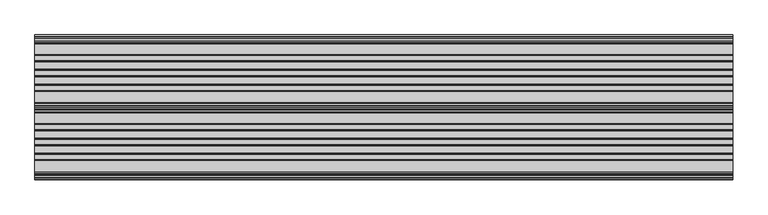
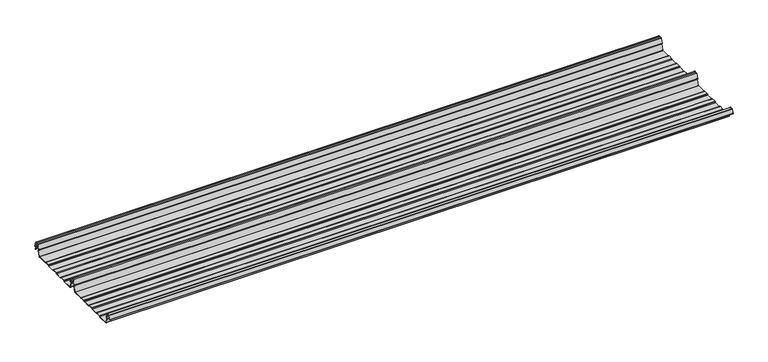
"""IFC4 building model written with IfcOpenShell, lengths in millimetres: beam geometry."""

import ifcopenshell
import ifcopenshell.guid

model = None  # the IFC model being written
_history = None  # IfcOwnerHistory: only IFC2X3 demands one
_inside = {}  # id of a spatial element -> (the spatial element, [elements in it])
_under = {}  # id of a project, library or spatial element -> (it, [spatial elements below it])
_declared = {}  # id of a project -> (the project, [libraries it declares])
_typed = {}  # id of a type object -> (the type object, [elements of that type])
_made_of = {}  # id of a material, layer set ... -> (it, [elements and type objects made of it])


def new_model(schema):
    """Start an empty IFC model of exactly this schema.

    Asked for "IFC4X3", IfcOpenShell would pick the latest addendum, in which some entities
    have other attributes; the version numbers below select the first issue.
    IFC2X3 requires an IfcOwnerHistory on every rooted entity: one is made here for all.
    """
    global model, _history
    if schema == "IFC4X3":
        model = ifcopenshell.file(schema_version=(4, 3, 0, 0))
    else:
        model = ifcopenshell.file(schema=schema)
    _inside.clear()
    _under.clear()
    _declared.clear()
    _typed.clear()
    _made_of.clear()
    _history = None
    if model.schema == "IFC2X3":
        org = make("IfcOrganization", Name="unknown")
        user = make(
            "IfcPersonAndOrganization",
            ThePerson=make("IfcPerson", FamilyName="unknown"),
            TheOrganization=org,
        )
        app = make(
            "IfcApplication",
            ApplicationDeveloper=org,
            Version="unknown",
            ApplicationFullName="unknown",
            ApplicationIdentifier="unknown",
        )
        _history = make(
            "IfcOwnerHistory",
            OwningUser=user,
            OwningApplication=app,
            ChangeAction="ADDED",
            CreationDate=0,
        )
    return model


def make(cls, **values):
    """One entity of the class cls with the attributes given. An attribute that is None is left unset."""
    return model.create_entity(
        cls, **{name: value for name, value in values.items() if value is not None}
    )


def rooted(cls, **values):
    """An entity with a GlobalId (a new one), such as an element, a storey or a relation."""
    return make(cls, GlobalId=ifcopenshell.guid.new(), OwnerHistory=_history, **values)


def si_unit(unit_type, name, prefix=None):
    """IfcSIUnit, for example si_unit("LENGTHUNIT", "METRE", prefix="MILLI")."""
    return make("IfcSIUnit", UnitType=unit_type, Prefix=prefix, Name=name)


def assignment(units):
    """IfcUnitAssignment: the units of a project."""
    return None if units is None else make("IfcUnitAssignment", Units=units)


def point(xyz):
    """IfcCartesianPoint."""
    return None if xyz is None else make("IfcCartesianPoint", Coordinates=xyz)


def direction(xyz):
    """IfcDirection."""
    return None if xyz is None else make("IfcDirection", DirectionRatios=xyz)


def frame(location, z_axis=None, x_axis=None):
    """IfcAxis2Placement3D, a coordinate frame: its origin and axes. An axis left out is left unset."""
    return make(
        "IfcAxis2Placement3D",
        Location=point(location),
        Axis=direction(z_axis),
        RefDirection=direction(x_axis),
    )


def frame_2d(location, x_axis=None):
    """IfcAxis2Placement2D, a coordinate frame in the plane: its origin and x axis."""
    return make(
        "IfcAxis2Placement2D", Location=point(location), RefDirection=direction(x_axis)
    )


def origin():
    """The frame at (0, 0, 0) with its axes left unset."""
    return frame((0.0, 0.0, 0.0))


def place(relative_to, where):
    """IfcLocalPlacement: puts the frame where relative to a parent placement (None: the world)."""
    return make(
        "IfcLocalPlacement", PlacementRelTo=relative_to, RelativePlacement=where
    )


def context(
    kind, dimensions, precision=None, world=None, true_north=None, identifier=None
):
    """IfcGeometricRepresentationContext, for example the 3D "Model" context."""
    return make(
        "IfcGeometricRepresentationContext",
        ContextIdentifier=identifier,
        ContextType=kind,
        CoordinateSpaceDimension=dimensions,
        Precision=precision,
        WorldCoordinateSystem=world,
        TrueNorth=true_north,
    )


def project(units=None, contexts=None):
    """IfcProject with its units and contexts."""
    return rooted(
        "IfcProject",
        Name="project",
        RepresentationContexts=contexts,
        UnitsInContext=assignment(units),
    )


def spatial(cls, under=None, at=None, **own):
    """A site, building, storey or space (cls), placed at a placement, below another one or the project."""
    s = rooted(cls, ObjectPlacement=at, **own)
    if under is not None:
        _under.setdefault(under.id(), (under, []))[1].append(s)
    return s


def polyline(points):
    """IfcPolyline through the points."""
    return make("IfcPolyline", Points=[point(p) for p in points])


def circle_curve(where, radius):
    """IfcCircle in the frame where."""
    return make("IfcCircle", Position=where, Radius=radius)


def trimmed(basis, trim1, trim2, sense, master):
    """IfcTrimmedCurve: the piece of a basis curve between two trims."""
    return make(
        "IfcTrimmedCurve",
        BasisCurve=basis,
        Trim1=trim1,
        Trim2=trim2,
        SenseAgreement=sense,
        MasterRepresentation=master,
    )


def segment(curve, same_sense, transition):
    """IfcCompositeCurveSegment."""
    return make(
        "IfcCompositeCurveSegment",
        Transition=transition,
        SameSense=same_sense,
        ParentCurve=curve,
    )


def composite_curve(segments, self_intersect=None):
    """IfcCompositeCurve: segments joined end to end."""
    return make("IfcCompositeCurve", Segments=segments, SelfIntersect=self_intersect)


def outline(outer, holes=None, kind="AREA"):
    """IfcArbitraryClosedProfileDef: a profile drawn as a closed curve; with holes, ...WithVoids."""
    if holes is None:
        return make("IfcArbitraryClosedProfileDef", ProfileType=kind, OuterCurve=outer)
    return make(
        "IfcArbitraryProfileDefWithVoids",
        ProfileType=kind,
        OuterCurve=outer,
        InnerCurves=holes,
    )


def extrude(swept, where, along, depth):
    """IfcExtrudedAreaSolid: the profile swept, set in the frame where, extruded along a direction by depth."""
    return make(
        "IfcExtrudedAreaSolid",
        SweptArea=swept,
        Position=where,
        ExtrudedDirection=direction(along),
        Depth=depth,
    )


def shape(context_of_items, identifier, shape_type, items):
    """IfcShapeRepresentation: the items that make up one representation, for example the "Body"."""
    return make(
        "IfcShapeRepresentation",
        ContextOfItems=context_of_items,
        RepresentationIdentifier=identifier,
        RepresentationType=shape_type,
        Items=items,
    )


def source(mapping_origin, context_of_items, identifier, shape_type, items):
    """IfcRepresentationMap: a shape defined once, which mapped items show again and again."""
    return make(
        "IfcRepresentationMap",
        MappingOrigin=mapping_origin,
        MappedRepresentation=shape(context_of_items, identifier, shape_type, items),
    )


def transform(
    local_origin,
    x_axis=None,
    y_axis=None,
    z_axis=None,
    scale=None,
    scale2=None,
    scale3=None,
    uniform=True,
):
    """IfcCartesianTransformationOperator3D, or its non-uniform kind. x_axis, y_axis, z_axis: its Axis1, 2, 3."""
    if uniform:
        return make(
            "IfcCartesianTransformationOperator3D",
            Axis1=direction(x_axis),
            Axis2=direction(y_axis),
            LocalOrigin=point(local_origin),
            Scale=scale,
            Axis3=direction(z_axis),
        )
    return make(
        "IfcCartesianTransformationOperator3DnonUniform",
        Axis1=direction(x_axis),
        Axis2=direction(y_axis),
        LocalOrigin=point(local_origin),
        Scale=scale,
        Axis3=direction(z_axis),
        Scale2=scale2,
        Scale3=scale3,
    )


def mapped(mapping_source, mapping_target):
    """IfcMappedItem: shows the shape of a source again, moved by a transform."""
    return make(
        "IfcMappedItem", MappingSource=mapping_source, MappingTarget=mapping_target
    )


def made_of(thing, what):
    """Note that an element or type object is made of a material, layer set ...; save() writes the relation."""
    if what is not None:
        _made_of.setdefault(what.id(), (what, []))[1].append(thing)
    return thing


def element(
    cls,
    number,
    at=None,
    inside=None,
    cuts=None,
    type_object=None,
    material=None,
    context=None,
    identifier="Body",
    shape_type=None,
    held_by="IfcProductDefinitionShape",
    body=None,
    shapes=None,
    **own,
):
    """One element of the class cls, such as IfcWall. Its Tag is "e" and its number.

    at: its placement. inside: the storey or other place that contains it. cuts: it is an
    opening in that element (IfcRelVoidsElement). A single representation is given by context,
    identifier, shape_type and body (its items); several are given by shapes. held_by: the class
    of the entity that holds the representations. save() writes the other relations.
    """
    e = rooted(cls, Tag="e%d" % number, ObjectPlacement=at, **own)
    if body is not None:
        shapes = [shape(context, identifier, shape_type, body)]
    if shapes is not None:
        e.Representation = make(held_by, Representations=shapes)
    if inside is not None:
        _inside.setdefault(inside.id(), (inside, []))[1].append(e)
    if cuts is not None:
        rooted(
            "IfcRelVoidsElement", RelatingBuildingElement=cuts, RelatedOpeningElement=e
        )
    if type_object is not None:
        _typed.setdefault(type_object.id(), (type_object, []))[1].append(e)
    return made_of(e, material)


def aggregate(whole, parts):
    """IfcRelAggregates: a whole, such as a stair, and the parts it consists of."""
    return rooted("IfcRelAggregates", RelatingObject=whole, RelatedObjects=parts)


def save(model, path):
    """Write the relations noted so far, then the file.

    IfcRelAggregates (storeys below a building ...), IfcRelContainedInSpatialStructure (elements
    in a storey), IfcRelDefinesByType, IfcRelAssociatesMaterial and IfcRelDeclares: one each for
    every whole, place, type object, material and project.
    """
    for whole, parts in _under.values():
        aggregate(whole, parts)
    for where, things in _inside.values():
        rooted(
            "IfcRelContainedInSpatialStructure",
            RelatedElements=things,
            RelatingStructure=where,
        )
    for kind, things in _typed.values():
        rooted("IfcRelDefinesByType", RelatedObjects=things, RelatingType=kind)
    for what, things in _made_of.values():
        rooted("IfcRelAssociatesMaterial", RelatedObjects=things, RelatingMaterial=what)
    for by, libraries in _declared.values():
        rooted("IfcRelDeclares", RelatingContext=by, RelatedDefinitions=libraries)
    model.write(path)


def beam_62047426(model_context):
    return source(origin(), model_context, "Body", "SweptSolid", [
        extrude(outline(composite_curve([segment(trimmed(circle_curve(frame_2d((-231.1362436, -24.0396475)), 1.75), [point((-231.1362436, -25.7896475))], [point((-232.7807057, -24.6381827))], False, "CARTESIAN"), True, "CONTINUOUS"), segment(polyline([(-232.7807057, -24.6381827), (-241.6888002, -2.1633943)]), True, "CONTINUOUS"), segment(trimmed(circle_curve(frame_2d((-240.0443381, -1.5648591)), 1.75), [point((-241.6888002, -2.1633943))], [point((-240.4972714, 0.1255111))], False, "CARTESIAN"), True, "CONTINUOUS"), segment(polyline([(-240.4972714, 0.1255111), (-237.8419476, 0.837003)]), True, "CONTINUOUS"), segment(trimmed(circle_curve(frame_2d((-238.1654714, 2.0444103)), 1.25), [point((-237.8419476, 0.837003))], [point((-236.9908556, 2.4719355))], True, "CARTESIAN"), True, "CONTINUOUS"), segment(polyline([(-236.9908556, 2.4719355), (-243.8110817, 21.2103525), (-250.0, 21.2103525), (-256.1889183, 21.2103525), (-263.0091444, 2.4719355)]), True, "CONTINUOUS"), segment(trimmed(circle_curve(frame_2d((-261.8345286, 2.0444103)), 1.25), [point((-263.0091444, 2.4719355))], [point((-262.1580524, 0.837003))], True, "CARTESIAN"), True, "CONTINUOUS"), segment(polyline([(-262.1580524, 0.837003), (-259.5027286, 0.1255111)]), True, "CONTINUOUS"), segment(trimmed(circle_curve(frame_2d((-259.9556619, -1.5648591)), 1.75), [point((-259.5027286, 0.1255111))], [point((-258.3111998, -2.1633943))], False, "CARTESIAN"), True, "CONTINUOUS"), segment(polyline([(-258.3111998, -2.1633943), (-267.2192943, -24.6381827)]), True, "CONTINUOUS"), segment(trimmed(circle_curve(frame_2d((-268.8637564, -24.0396475)), 1.75), [point((-267.2192943, -24.6381827))], [point((-268.8637564, -25.7896475))], False, "CARTESIAN"), True, "CONTINUOUS"), segment(polyline([(-268.8637564, -25.7896475), (-307.3786797, -25.7896475)]), True, "CONTINUOUS"), segment(trimmed(circle_curve(frame_2d((-307.3786797, -24.0396475)), 1.75), [point((-307.3786797, -25.7896475))], [point((-308.6161165, -25.2770843))], False, "CARTESIAN"), True, "CONTINUOUS"), segment(polyline([(-308.6161165, -25.2770843), (-310.7788845, -23.1143163)]), True, "CONTINUOUS"), segment(trimmed(circle_curve(frame_2d((-311.5627045, -23.8981363)), 1.1084889), [point((-310.7788845, -23.1143163))], [point((-311.5627045, -22.7896475))], True, "CARTESIAN"), True, "CONTINUOUS"), segment(polyline([(-311.5627045, -22.7896475), (-330.4372955, -22.7896475)]), True, "CONTINUOUS"), segment(trimmed(circle_curve(frame_2d((-330.4372955, -23.8981363)), 1.1084889), [point((-330.4372955, -22.7896475))], [point((-331.2211155, -23.1143163))], True, "CARTESIAN"), True, "CONTINUOUS"), segment(polyline([(-331.2211155, -23.1143163), (-333.3838835, -25.2770843)]), True, "CONTINUOUS"), segment(trimmed(circle_curve(frame_2d((-334.6213203, -24.0396475)), 1.75), [point((-333.3838835, -25.2770843))], [point((-334.6213203, -25.7896475))], False, "CARTESIAN"), True, "CONTINUOUS"), segment(polyline([(-334.6213203, -25.7896475), (-361.3786797, -25.7896475)]), True, "CONTINUOUS"), segment(trimmed(circle_curve(frame_2d((-361.3786797, -24.0396475)), 1.75), [point((-361.3786797, -25.7896475))], [point((-362.6161165, -25.2770843))], False, "CARTESIAN"), True, "CONTINUOUS"), segment(polyline([(-362.6161165, -25.2770843), (-364.7788845, -23.1143163)]), True, "CONTINUOUS"), segment(trimmed(circle_curve(frame_2d((-365.5627045, -23.8981363)), 1.1084889), [point((-364.7788845, -23.1143163))], [point((-365.5627045, -22.7896475))], True, "CARTESIAN"), True, "CONTINUOUS"), segment(polyline([(-365.5627045, -22.7896475), (-384.4372955, -22.7896475)]), True, "CONTINUOUS"), segment(trimmed(circle_curve(frame_2d((-384.4372955, -23.8981363)), 1.1084889), [point((-384.4372955, -22.7896475))], [point((-385.2211155, -23.1143163))], True, "CARTESIAN"), True, "CONTINUOUS"), segment(polyline([(-385.2211155, -23.1143163), (-387.3838835, -25.2770843)]), True, "CONTINUOUS"), segment(trimmed(circle_curve(frame_2d((-388.6213203, -24.0396475)), 1.75), [point((-387.3838835, -25.2770843))], [point((-388.6213203, -25.7896475))], False, "CARTESIAN"), True, "CONTINUOUS"), segment(polyline([(-388.6213203, -25.7896475), (-415.3786797, -25.7896475)]), True, "CONTINUOUS"), segment(trimmed(circle_curve(frame_2d((-415.3786797, -24.0396475)), 1.75), [point((-415.3786797, -25.7896475))], [point((-416.6161165, -25.2770843))], False, "CARTESIAN"), True, "CONTINUOUS"), segment(polyline([(-416.6161165, -25.2770843), (-418.7788845, -23.1143163)]), True, "CONTINUOUS"), segment(trimmed(circle_curve(frame_2d((-419.5627045, -23.8981363)), 1.1084889), [point((-418.7788845, -23.1143163))], [point((-419.5627045, -22.7896475))], True, "CARTESIAN"), True, "CONTINUOUS"), segment(polyline([(-419.5627045, -22.7896475), (-438.4372955, -22.7896475)]), True, "CONTINUOUS"), segment(trimmed(circle_curve(frame_2d((-438.4372955, -23.8981363)), 1.1084889), [point((-438.4372955, -22.7896475))], [point((-439.2211155, -23.1143163))], True, "CARTESIAN"), True, "CONTINUOUS"), segment(polyline([(-439.2211155, -23.1143163), (-441.3838835, -25.2770843)]), True, "CONTINUOUS"), segment(trimmed(circle_curve(frame_2d((-442.6213203, -24.0396475)), 1.75), [point((-441.3838835, -25.2770843))], [point((-442.6213203, -25.7896475))], False, "CARTESIAN"), True, "CONTINUOUS"), segment(polyline([(-442.6213203, -25.7896475), (-483.287616, -25.7896475)]), True, "CONTINUOUS"), segment(trimmed(circle_curve(frame_2d((-483.287616, -24.0396475)), 1.75), [point((-483.287616, -25.7896475))], [point((-484.8955882, -24.7302452))], False, "CARTESIAN"), True, "CONTINUOUS"), segment(polyline([(-484.8955882, -24.7302452), (-493.5565428, -2.8789816)]), True, "CONTINUOUS"), segment(trimmed(circle_curve(frame_2d((-490.0443381, -1.5648591)), 3.75), [point((-493.5565428, -2.8789816))], [point((-490.3464639, 2.1729504))], False, "CARTESIAN"), True, "CONTINUOUS"), segment(trimmed(circle_curve(frame_2d((-490.426413, 3.162057)), 0.9923325), [point((-490.3464639, 2.1729504))], [point((-489.4939255, 3.5014547))], True, "CARTESIAN"), True, "CONTINUOUS"), segment(polyline([(-489.4939255, 3.5014547), (-494.9720116, 18.5523727)]), True, "CONTINUOUS"), segment(trimmed(circle_curve(frame_2d((-495.9117043, 18.2103525)), 1.0), [point((-494.9720116, 18.5523727))], [point((-495.9117043, 19.2103525))], True, "CARTESIAN"), True, "CONTINUOUS"), segment(polyline([(-495.9117043, 19.2103525), (-504.0882957, 19.2103525)]), True, "CONTINUOUS"), segment(trimmed(circle_curve(frame_2d((-504.0882957, 18.2103525)), 1.0), [point((-504.0882957, 19.2103525))], [point((-505.0279884, 18.5523727))], True, "CARTESIAN"), True, "CONTINUOUS"), segment(polyline([(-505.0279884, 18.5523727), (-510.4799156, 3.5733257)]), True, "CONTINUOUS"), segment(trimmed(circle_curve(frame_2d((-510.9497619, 3.7443357)), 0.5), [point((-510.4799156, 3.5733257))], [point((-511.4196082, 3.9153458))], False, "CARTESIAN"), True, "CONTINUOUS"), segment(polyline([(-511.4196082, 3.9153458), (-505.967681, 18.8943928)]), True, "CONTINUOUS"), segment(trimmed(circle_curve(frame_2d((-504.0882957, 18.2103525)), 2.0), [point((-505.967681, 18.8943928))], [point((-504.0882957, 20.2103525))], False, "CARTESIAN"), True, "CONTINUOUS"), segment(polyline([(-504.0882957, 20.2103525), (-495.9117043, 20.2103525)]), True, "CONTINUOUS"), segment(trimmed(circle_curve(frame_2d((-495.9117043, 18.2103525)), 2.0), [point((-495.9117043, 20.2103525))], [point((-494.032319, 18.8943928))], False, "CARTESIAN"), True, "CONTINUOUS"), segment(polyline([(-494.032319, 18.8943928), (-488.5542329, 3.8434749)]), True, "CONTINUOUS"), segment(trimmed(circle_curve(frame_2d((-490.426413, 3.162057)), 1.9923325), [point((-488.5542329, 3.8434749))], [point((-490.265897, 1.1762012))], False, "CARTESIAN"), True, "CONTINUOUS"), segment(trimmed(circle_curve(frame_2d((-490.0443381, -1.5648591)), 2.75), [point((-490.265897, 1.1762012))], [point((-492.6230664, -2.5201915))], True, "CARTESIAN"), True, "CONTINUOUS"), segment(polyline([(-492.6230664, -2.5201915), (-483.9722515, -24.3458733)]), True, "CONTINUOUS"), segment(trimmed(circle_curve(frame_2d((-483.287616, -24.0396475)), 0.75), [point((-483.9722515, -24.3458733))], [point((-483.287616, -24.7896475))], True, "CARTESIAN"), True, "CONTINUOUS"), segment(polyline([(-483.287616, -24.7896475), (-442.7420401, -24.7896475)]), True, "CONTINUOUS"), segment(trimmed(circle_curve(frame_2d((-442.7420401, -23.7482041)), 1.0414433), [point((-442.7420401, -24.7896475))], [point((-442.0056285, -24.4846158))], True, "CARTESIAN"), True, "CONTINUOUS"), segment(polyline([(-442.0056285, -24.4846158), (-439.9696699, -22.4486572)]), True, "CONTINUOUS"), segment(trimmed(circle_curve(frame_2d((-438.3786797, -24.0396475)), 2.25), [point((-439.9696699, -22.4486572))], [point((-438.3786797, -21.7896475))], False, "CARTESIAN"), True, "CONTINUOUS"), segment(polyline([(-438.3786797, -21.7896475), (-419.6213203, -21.7896475)]), True, "CONTINUOUS"), segment(trimmed(circle_curve(frame_2d((-419.6213203, -24.0396475)), 2.25), [point((-419.6213203, -21.7896475))], [point((-418.0303301, -22.4486572))], False, "CARTESIAN"), True, "CONTINUOUS"), segment(polyline([(-418.0303301, -22.4486572), (-415.9943715, -24.4846158)]), True, "CONTINUOUS"), segment(trimmed(circle_curve(frame_2d((-415.2579599, -23.7482041)), 1.0414433), [point((-415.9943715, -24.4846158))], [point((-415.2579599, -24.7896475))], True, "CARTESIAN"), True, "CONTINUOUS"), segment(polyline([(-415.2579599, -24.7896475), (-388.7420401, -24.7896475)]), True, "CONTINUOUS"), segment(trimmed(circle_curve(frame_2d((-388.7420401, -23.7482041)), 1.0414433), [point((-388.7420401, -24.7896475))], [point((-388.0056285, -24.4846158))], True, "CARTESIAN"), True, "CONTINUOUS"), segment(polyline([(-388.0056285, -24.4846158), (-385.9696699, -22.4486572)]), True, "CONTINUOUS"), segment(trimmed(circle_curve(frame_2d((-384.3786797, -24.0396475)), 2.25), [point((-385.9696699, -22.4486572))], [point((-384.3786797, -21.7896475))], False, "CARTESIAN"), True, "CONTINUOUS"), segment(polyline([(-384.3786797, -21.7896475), (-365.6213203, -21.7896475)]), True, "CONTINUOUS"), segment(trimmed(circle_curve(frame_2d((-365.6213203, -24.0396475)), 2.25), [point((-365.6213203, -21.7896475))], [point((-364.0303301, -22.4486572))], False, "CARTESIAN"), True, "CONTINUOUS"), segment(polyline([(-364.0303301, -22.4486572), (-361.9943715, -24.4846158)]), True, "CONTINUOUS"), segment(trimmed(circle_curve(frame_2d((-361.2579599, -23.7482041)), 1.0414433), [point((-361.9943715, -24.4846158))], [point((-361.2579599, -24.7896475))], True, "CARTESIAN"), True, "CONTINUOUS"), segment(polyline([(-361.2579599, -24.7896475), (-334.7420401, -24.7896475)]), True, "CONTINUOUS"), segment(trimmed(circle_curve(frame_2d((-334.7420401, -23.7482041)), 1.0414433), [point((-334.7420401, -24.7896475))], [point((-334.0056285, -24.4846158))], True, "CARTESIAN"), True, "CONTINUOUS"), segment(polyline([(-334.0056285, -24.4846158), (-331.9696699, -22.4486572)]), True, "CONTINUOUS"), segment(trimmed(circle_curve(frame_2d((-330.3786797, -24.0396475)), 2.25), [point((-331.9696699, -22.4486572))], [point((-330.3786797, -21.7896475))], False, "CARTESIAN"), True, "CONTINUOUS"), segment(polyline([(-330.3786797, -21.7896475), (-311.6213203, -21.7896475)]), True, "CONTINUOUS"), segment(trimmed(circle_curve(frame_2d((-311.6213203, -24.0396475)), 2.25), [point((-311.6213203, -21.7896475))], [point((-310.0303301, -22.4486572))], False, "CARTESIAN"), True, "CONTINUOUS"), segment(polyline([(-310.0303301, -22.4486572), (-307.9943715, -24.4846158)]), True, "CONTINUOUS"), segment(trimmed(circle_curve(frame_2d((-307.2579599, -23.7482041)), 1.0414433), [point((-307.9943715, -24.4846158))], [point((-307.2579599, -24.7896475))], True, "CARTESIAN"), True, "CONTINUOUS"), segment(polyline([(-307.2579599, -24.7896475), (-268.8637564, -24.7896475)]), True, "CONTINUOUS"), segment(trimmed(circle_curve(frame_2d((-268.8637564, -24.0396475)), 0.75), [point((-268.8637564, -24.7896475))], [point((-268.1552359, -24.2856122))], True, "CARTESIAN"), True, "CONTINUOUS"), segment(polyline([(-268.1552359, -24.2856122), (-259.2471414, -1.8108238)]), True, "CONTINUOUS"), segment(trimmed(circle_curve(frame_2d((-259.9556619, -1.5648591)), 0.75), [point((-259.2471414, -1.8108238))], [point((-259.7615476, -0.8404147))], True, "CARTESIAN"), True, "CONTINUOUS"), segment(polyline([(-259.7615476, -0.8404147), (-262.4168715, -0.1289228)]), True, "CONTINUOUS"), segment(trimmed(circle_curve(frame_2d((-261.8345286, 2.0444103)), 2.25), [point((-262.4168715, -0.1289228))], [point((-263.948837, 2.8139556))], False, "CARTESIAN"), True, "CONTINUOUS"), segment(polyline([(-263.948837, 2.8139556), (-257.1273286, 21.5558959)]), True, "CONTINUOUS"), segment(trimmed(circle_curve(frame_2d((-256.1926676, 21.2157071)), 0.9946455), [point((-257.1273286, 21.5558959))], [point((-256.1926676, 22.2103525))], False, "CARTESIAN"), True, "CONTINUOUS"), segment(polyline([(-256.1926676, 22.2103525), (-250.0, 22.2103525), (-243.8073324, 22.2103525)]), True, "CONTINUOUS"), segment(trimmed(circle_curve(frame_2d((-243.8073324, 21.2157071)), 0.9946455), [point((-243.8073324, 22.2103525))], [point((-242.8726714, 21.5558959))], False, "CARTESIAN"), True, "CONTINUOUS"), segment(polyline([(-242.8726714, 21.5558959), (-236.051163, 2.8139556)]), True, "CONTINUOUS"), segment(trimmed(circle_curve(frame_2d((-238.1654714, 2.0444103)), 2.25), [point((-236.051163, 2.8139556))], [point((-237.5831285, -0.1289228))], False, "CARTESIAN"), True, "CONTINUOUS"), segment(polyline([(-237.5831285, -0.1289228), (-240.2384524, -0.8404147)]), True, "CONTINUOUS"), segment(trimmed(circle_curve(frame_2d((-240.0443381, -1.5648591)), 0.75), [point((-240.2384524, -0.8404147))], [point((-240.7528586, -1.8108238))], True, "CARTESIAN"), True, "CONTINUOUS"), segment(polyline([(-240.7528586, -1.8108238), (-231.8447641, -24.2856122)]), True, "CONTINUOUS"), segment(trimmed(circle_curve(frame_2d((-231.1362436, -24.0396475)), 0.75), [point((-231.8447641, -24.2856122))], [point((-231.1362436, -24.7896475))], True, "CARTESIAN"), True, "CONTINUOUS"), segment(polyline([(-231.1362436, -24.7896475), (-192.7420401, -24.7896475)]), True, "CONTINUOUS"), segment(trimmed(circle_curve(frame_2d((-192.7420401, -23.7482041)), 1.0414433), [point((-192.7420401, -24.7896475))], [point((-192.0056285, -24.4846158))], True, "CARTESIAN"), True, "CONTINUOUS"), segment(polyline([(-192.0056285, -24.4846158), (-189.9696699, -22.4486572)]), True, "CONTINUOUS"), segment(trimmed(circle_curve(frame_2d((-188.3786797, -24.0396475)), 2.25), [point((-189.9696699, -22.4486572))], [point((-188.3786797, -21.7896475))], False, "CARTESIAN"), True, "CONTINUOUS"), segment(polyline([(-188.3786797, -21.7896475), (-169.6213203, -21.7896475)]), True, "CONTINUOUS"), segment(trimmed(circle_curve(frame_2d((-169.6213203, -24.0396475)), 2.25), [point((-169.6213203, -21.7896475))], [point((-168.0303301, -22.4486572))], False, "CARTESIAN"), True, "CONTINUOUS"), segment(polyline([(-168.0303301, -22.4486572), (-165.9943715, -24.4846158)]), True, "CONTINUOUS"), segment(trimmed(circle_curve(frame_2d((-165.2579599, -23.7482041)), 1.0414433), [point((-165.9943715, -24.4846158))], [point((-165.2579599, -24.7896475))], True, "CARTESIAN"), True, "CONTINUOUS"), segment(polyline([(-165.2579599, -24.7896475), (-138.7420401, -24.7896475)]), True, "CONTINUOUS"), segment(trimmed(circle_curve(frame_2d((-138.7420401, -23.7482041)), 1.0414433), [point((-138.7420401, -24.7896475))], [point((-138.0056285, -24.4846158))], True, "CARTESIAN"), True, "CONTINUOUS"), segment(polyline([(-138.0056285, -24.4846158), (-135.9696699, -22.4486572)]), True, "CONTINUOUS"), segment(trimmed(circle_curve(frame_2d((-134.3786797, -24.0396475)), 2.25), [point((-135.9696699, -22.4486572))], [point((-134.3786797, -21.7896475))], False, "CARTESIAN"), True, "CONTINUOUS"), segment(polyline([(-134.3786797, -21.7896475), (-115.6213203, -21.7896475)]), True, "CONTINUOUS"), segment(trimmed(circle_curve(frame_2d((-115.6213203, -24.0396475)), 2.25), [point((-115.6213203, -21.7896475))], [point((-114.0303301, -22.4486572))], False, "CARTESIAN"), True, "CONTINUOUS"), segment(polyline([(-114.0303301, -22.4486572), (-111.9943715, -24.4846158)]), True, "CONTINUOUS"), segment(trimmed(circle_curve(frame_2d((-111.2579599, -23.7482041)), 1.0414433), [point((-111.9943715, -24.4846158))], [point((-111.2579599, -24.7896475))], True, "CARTESIAN"), True, "CONTINUOUS"), segment(polyline([(-111.2579599, -24.7896475), (-84.7420401, -24.7896475)]), True, "CONTINUOUS"), segment(trimmed(circle_curve(frame_2d((-84.7420401, -23.7482041)), 1.0414433), [point((-84.7420401, -24.7896475))], [point((-84.0056285, -24.4846158))], True, "CARTESIAN"), True, "CONTINUOUS"), segment(polyline([(-84.0056285, -24.4846158), (-81.9696699, -22.4486572)]), True, "CONTINUOUS"), segment(trimmed(circle_curve(frame_2d((-80.3786797, -24.0396475)), 2.25), [point((-81.9696699, -22.4486572))], [point((-80.3786797, -21.7896475))], False, "CARTESIAN"), True, "CONTINUOUS"), segment(polyline([(-80.3786797, -21.7896475), (-61.6213203, -21.7896475)]), True, "CONTINUOUS"), segment(trimmed(circle_curve(frame_2d((-61.6213203, -24.0396475)), 2.25), [point((-61.6213203, -21.7896475))], [point((-60.0303301, -22.4486572))], False, "CARTESIAN"), True, "CONTINUOUS"), segment(polyline([(-60.0303301, -22.4486572), (-57.9943715, -24.4846158)]), True, "CONTINUOUS"), segment(trimmed(circle_curve(frame_2d((-57.2579599, -23.7482041)), 1.0414433), [point((-57.9943715, -24.4846158))], [point((-57.2579599, -24.7896475))], True, "CARTESIAN"), True, "CONTINUOUS"), segment(polyline([(-57.2579599, -24.7896475), (-18.8637564, -24.7896475)]), True, "CONTINUOUS"), segment(trimmed(circle_curve(frame_2d((-18.8637564, -24.0396475)), 0.75), [point((-18.8637564, -24.7896475))], [point((-18.1552359, -24.2856122))], True, "CARTESIAN"), True, "CONTINUOUS"), segment(polyline([(-18.1552359, -24.2856122), (-9.2471414, -1.8108238)]), True, "CONTINUOUS"), segment(trimmed(circle_curve(frame_2d((-9.9556619, -1.5648591)), 0.75), [point((-9.2471414, -1.8108238))], [point((-9.7615476, -0.8404147))], True, "CARTESIAN"), True, "CONTINUOUS"), segment(polyline([(-9.7615476, -0.8404147), (-12.4168715, -0.1289228)]), True, "CONTINUOUS"), segment(trimmed(circle_curve(frame_2d((-11.8345286, 2.0444103)), 2.25), [point((-12.4168715, -0.1289228))], [point((-13.948837, 2.8139556))], False, "CARTESIAN"), True, "CONTINUOUS"), segment(polyline([(-13.948837, 2.8139556), (-7.1273286, 21.5558959)]), True, "CONTINUOUS"), segment(trimmed(circle_curve(frame_2d((-6.1926676, 21.2157071)), 0.9946455), [point((-7.1273286, 21.5558959))], [point((-6.1926676, 22.2103525))], False, "CARTESIAN"), True, "CONTINUOUS"), segment(polyline([(-6.1926676, 22.2103525), (0.0, 22.2103525), (6.1926676, 22.2103525)]), True, "CONTINUOUS"), segment(trimmed(circle_curve(frame_2d((6.1926676, 21.2157071)), 0.9946455), [point((6.1926676, 22.2103525))], [point((7.1273286, 21.5558959))], False, "CARTESIAN"), True, "CONTINUOUS"), segment(polyline([(7.1273286, 21.5558959), (13.948837, 2.8139556)]), True, "CONTINUOUS"), segment(trimmed(circle_curve(frame_2d((11.8345286, 2.0444103)), 2.25), [point((13.948837, 2.8139556))], [point((12.4168715, -0.1289228))], False, "CARTESIAN"), True, "CONTINUOUS"), segment(polyline([(12.4168715, -0.1289228), (9.7615476, -0.8404147)]), True, "CONTINUOUS"), segment(trimmed(circle_curve(frame_2d((9.9556619, -1.5648591)), 0.75), [point((9.7615476, -0.8404147))], [point((9.2471414, -1.8108238))], True, "CARTESIAN"), True, "CONTINUOUS"), segment(polyline([(9.2471414, -1.8108238), (12.5127954, -10.0499465)]), True, "CONTINUOUS"), segment(trimmed(circle_curve(frame_2d((12.0479758, -10.2341821)), 0.5), [point((12.5127954, -10.0499465))], [point((11.5831563, -10.4184177))], False, "CARTESIAN"), True, "CONTINUOUS"), segment(polyline([(11.5831563, -10.4184177), (8.3111998, -2.1633943)]), True, "CONTINUOUS"), segment(trimmed(circle_curve(frame_2d((9.9556619, -1.5648591)), 1.75), [point((8.3111998, -2.1633943))], [point((9.5027286, 0.1255111))], False, "CARTESIAN"), True, "CONTINUOUS"), segment(polyline([(9.5027286, 0.1255111), (12.1580524, 0.837003)]), True, "CONTINUOUS"), segment(trimmed(circle_curve(frame_2d((11.8345286, 2.0444103)), 1.25), [point((12.1580524, 0.837003))], [point((13.0091444, 2.4719355))], True, "CARTESIAN"), True, "CONTINUOUS"), segment(polyline([(13.0091444, 2.4719355), (6.1889183, 21.2103525), (0.0, 21.2103525), (-6.1889183, 21.2103525), (-13.0091444, 2.4719355)]), True, "CONTINUOUS"), segment(trimmed(circle_curve(frame_2d((-11.8345286, 2.0444103)), 1.25), [point((-13.0091444, 2.4719355))], [point((-12.1580524, 0.837003))], True, "CARTESIAN"), True, "CONTINUOUS"), segment(polyline([(-12.1580524, 0.837003), (-9.5027286, 0.1255111)]), True, "CONTINUOUS"), segment(trimmed(circle_curve(frame_2d((-9.9556619, -1.5648591)), 1.75), [point((-9.5027286, 0.1255111))], [point((-8.3111998, -2.1633943))], False, "CARTESIAN"), True, "CONTINUOUS"), segment(polyline([(-8.3111998, -2.1633943), (-17.2192943, -24.6381827)]), True, "CONTINUOUS"), segment(trimmed(circle_curve(frame_2d((-18.8637564, -24.0396475)), 1.75), [point((-17.2192943, -24.6381827))], [point((-18.8637564, -25.7896475))], False, "CARTESIAN"), True, "CONTINUOUS"), segment(polyline([(-18.8637564, -25.7896475), (-57.3786797, -25.7896475)]), True, "CONTINUOUS"), segment(trimmed(circle_curve(frame_2d((-57.3786797, -24.0396475)), 1.75), [point((-57.3786797, -25.7896475))], [point((-58.6161165, -25.2770843))], False, "CARTESIAN"), True, "CONTINUOUS"), segment(polyline([(-58.6161165, -25.2770843), (-60.7788845, -23.1143163)]), True, "CONTINUOUS"), segment(trimmed(circle_curve(frame_2d((-61.5627045, -23.8981363)), 1.1084889), [point((-60.7788845, -23.1143163))], [point((-61.5627045, -22.7896475))], True, "CARTESIAN"), True, "CONTINUOUS"), segment(polyline([(-61.5627045, -22.7896475), (-80.4372955, -22.7896475)]), True, "CONTINUOUS"), segment(trimmed(circle_curve(frame_2d((-80.4372955, -23.8981363)), 1.1084889), [point((-80.4372955, -22.7896475))], [point((-81.2211155, -23.1143163))], True, "CARTESIAN"), True, "CONTINUOUS"), segment(polyline([(-81.2211155, -23.1143163), (-83.3838835, -25.2770843)]), True, "CONTINUOUS"), segment(trimmed(circle_curve(frame_2d((-84.6213203, -24.0396475)), 1.75), [point((-83.3838835, -25.2770843))], [point((-84.6213203, -25.7896475))], False, "CARTESIAN"), True, "CONTINUOUS"), segment(polyline([(-84.6213203, -25.7896475), (-111.3786797, -25.7896475)]), True, "CONTINUOUS"), segment(trimmed(circle_curve(frame_2d((-111.3786797, -24.0396475)), 1.75), [point((-111.3786797, -25.7896475))], [point((-112.6161165, -25.2770843))], False, "CARTESIAN"), True, "CONTINUOUS"), segment(polyline([(-112.6161165, -25.2770843), (-114.7788845, -23.1143163)]), True, "CONTINUOUS"), segment(trimmed(circle_curve(frame_2d((-115.5627045, -23.8981363)), 1.1084889), [point((-114.7788845, -23.1143163))], [point((-115.5627045, -22.7896475))], True, "CARTESIAN"), True, "CONTINUOUS"), segment(polyline([(-115.5627045, -22.7896475), (-134.4372955, -22.7896475)]), True, "CONTINUOUS"), segment(trimmed(circle_curve(frame_2d((-134.4372955, -23.8981363)), 1.1084889), [point((-134.4372955, -22.7896475))], [point((-135.2211155, -23.1143163))], True, "CARTESIAN"), True, "CONTINUOUS"), segment(polyline([(-135.2211155, -23.1143163), (-137.3838835, -25.2770843)]), True, "CONTINUOUS"), segment(trimmed(circle_curve(frame_2d((-138.6213203, -24.0396475)), 1.75), [point((-137.3838835, -25.2770843))], [point((-138.6213203, -25.7896475))], False, "CARTESIAN"), True, "CONTINUOUS"), segment(polyline([(-138.6213203, -25.7896475), (-165.3786797, -25.7896475)]), True, "CONTINUOUS"), segment(trimmed(circle_curve(frame_2d((-165.3786797, -24.0396475)), 1.75), [point((-165.3786797, -25.7896475))], [point((-166.6161165, -25.2770843))], False, "CARTESIAN"), True, "CONTINUOUS"), segment(polyline([(-166.6161165, -25.2770843), (-168.7788845, -23.1143163)]), True, "CONTINUOUS"), segment(trimmed(circle_curve(frame_2d((-169.5627045, -23.8981363)), 1.1084889), [point((-168.7788845, -23.1143163))], [point((-169.5627045, -22.7896475))], True, "CARTESIAN"), True, "CONTINUOUS"), segment(polyline([(-169.5627045, -22.7896475), (-188.4372955, -22.7896475)]), True, "CONTINUOUS"), segment(trimmed(circle_curve(frame_2d((-188.4372955, -23.8981363)), 1.1084889), [point((-188.4372955, -22.7896475))], [point((-189.2211155, -23.1143163))], True, "CARTESIAN"), True, "CONTINUOUS"), segment(polyline([(-189.2211155, -23.1143163), (-191.3838835, -25.2770843)]), True, "CONTINUOUS"), segment(trimmed(circle_curve(frame_2d((-192.6213203, -24.0396475)), 1.75), [point((-191.3838835, -25.2770843))], [point((-192.6213203, -25.7896475))], False, "CARTESIAN"), True, "CONTINUOUS"), segment(polyline([(-192.6213203, -25.7896475), (-231.1362436, -25.7896475)]), True, "CONTINUOUS")], self_intersect=False)), frame((-1265.1012987, 0.0, 0.0), z_axis=(1.0, 0.0, 0.0), x_axis=(0.0, 1.0, 0.0)), (0.0, 0.0, 1.0), 2530.2025973),
    ])


if __name__ == "__main__":
    model = new_model("IFC4")
    model_context = context("Model", 3, world=origin())
    ifc_project = project(units=[si_unit("LENGTHUNIT", "METRE", prefix="MILLI")], contexts=[model_context])
    site = spatial("IfcSite", under=ifc_project)
    building = spatial("IfcBuilding", under=site)
    placement = place(None, origin())
    beam_shape = beam_62047426(model_context)
    element("IfcBeam", 1, at=placement, inside=building, context=model_context, shape_type="MappedRepresentation", body=[
        mapped(beam_shape, transform((0.0, 0.0, 0.0), x_axis=(1.0, 0.0, 0.0), y_axis=(0.0, 1.0, 0.0), z_axis=(0.0, 0.0, 1.0))),
    ])
    save(model, "model.ifc")
